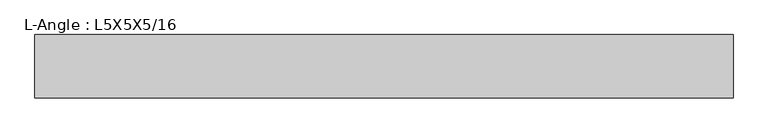
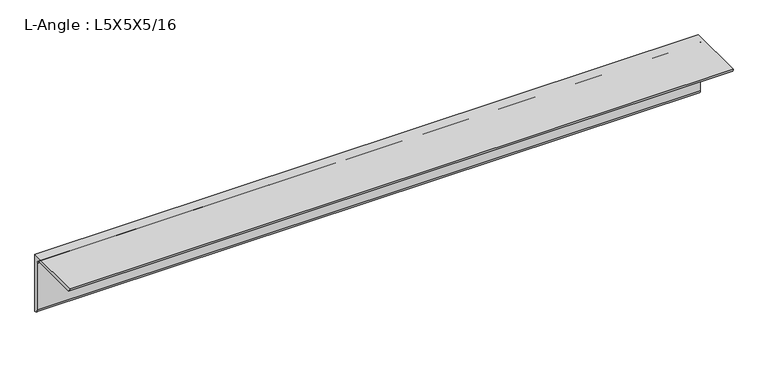
"""IFC4 building model written with IfcOpenShell, lengths in millimetres: beam geometry, L-Angle : L5X5X5/16."""

from ifc_helpers import new_model, si_unit, point, frame, frame_2d, origin, place, context, project, spatial, polyline, circle_curve, trimmed, segment, composite_curve, outline, extrude, source, transform, mapped, element, save


def l_angle_l5x5x5_16_026b306d(model_context):
    return source(origin(), model_context, "Body", "SweptSolid", [
        extrude(outline(composite_curve([segment(polyline([(34.3296875, 34.3296875), (34.3296875, -92.6703125)]), True, "CONTINUOUS"), segment(trimmed(circle_curve(frame_2d((34.3296875, -84.7328125)), 7.9375), [point((34.3296875, -92.6703125))], [point((26.3921875, -84.7328125))], False, "CARTESIAN"), True, "CONTINUOUS"), segment(polyline([(26.3921875, -84.7328125), (26.3921875, 18.4546875)]), True, "CONTINUOUS"), segment(trimmed(circle_curve(frame_2d((18.4546875, 18.4546875)), 7.9375), [point((26.3921875, 18.4546875))], [point((18.4546875, 26.3921875))], True, "CARTESIAN"), True, "CONTINUOUS"), segment(polyline([(18.4546875, 26.3921875), (-84.7328125, 26.3921875)]), True, "CONTINUOUS"), segment(trimmed(circle_curve(frame_2d((-84.7328125, 34.3296875)), 7.9375), [point((-84.7328125, 26.3921875))], [point((-92.6703125, 34.3296875))], False, "CARTESIAN"), True, "CONTINUOUS"), segment(polyline([(-92.6703125, 34.3296875), (34.3296875, 34.3296875)]), True, "CONTINUOUS")], self_intersect=False)), frame((-698.9960937, 0.0, 0.0), z_axis=(1.0, 0.0, 0.0), x_axis=(0.0, 1.0, 0.0)), (0.0, 0.0, 1.0), 1397.9921875),
    ])


if __name__ == "__main__":
    model = new_model("IFC4")
    model_context = context("Model", 3, world=origin())
    ifc_project = project(units=[si_unit("LENGTHUNIT", "METRE", prefix="MILLI")], contexts=[model_context])
    site = spatial("IfcSite", under=ifc_project)
    building = spatial("IfcBuilding", under=site)
    placement = place(None, origin())
    l_angle_l5x5x5_16_shape = l_angle_l5x5x5_16_026b306d(model_context)
    element("IfcBeam", 1, ObjectType="L-Angle : L5X5X5/16", at=placement, inside=building, context=model_context, shape_type="MappedRepresentation", body=[
        mapped(l_angle_l5x5x5_16_shape, transform((0.0, 0.0, 0.0), x_axis=(1.0, 0.0, 0.0), y_axis=(0.0, 1.0, 0.0), z_axis=(0.0, 0.0, 1.0))),
    ])
    save(model, "model.ifc")
